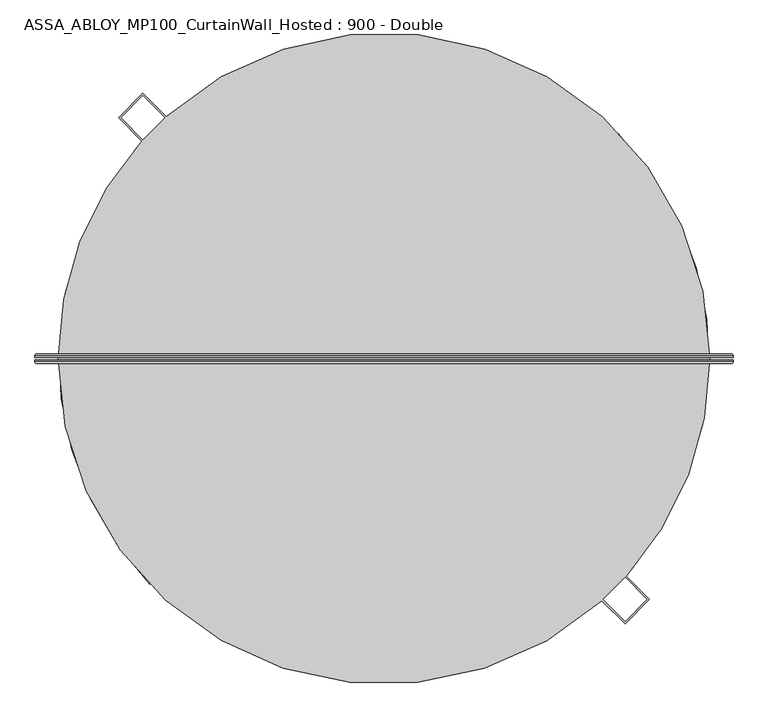
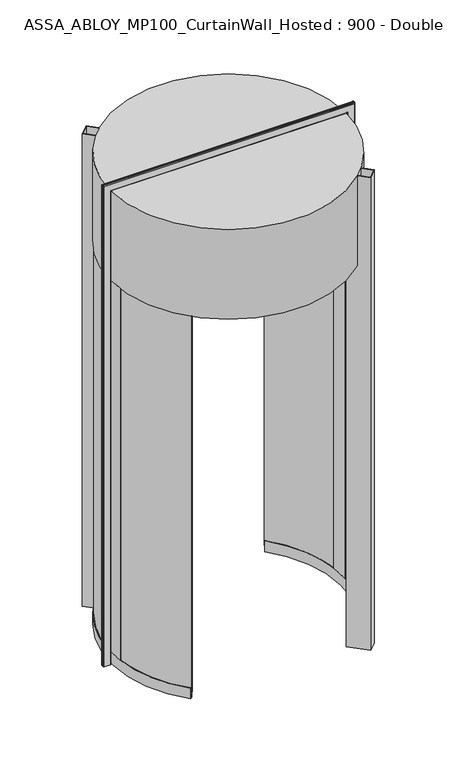
"""IFC4 building model written with IfcOpenShell, lengths in millimetres: plate geometry, ASSA_ABLOY_MP100_CurtainWall_Hosted : 900 - Double."""

from ifc_helpers import new_model, si_unit, point, frame, origin, origin_2d, place, context, project, spatial, polyline, circle_curve, ellipse_curve, trimmed, segment, composite_curve, outline, extrude, source, transform, mapped, element, save
from ifc_brep_helpers import plane_surface, cylinder_surface, revolved_surface, advanced_brep


def assa_abloy_mp100_curtainwall_hosted_900_double_50f6bb8c(model_context):
    return source(origin(), model_context, "Body", "SolidModel", [
        advanced_brep(
        [(805.0980762, 11.0, 0.0), (809.0980762, 7.0, 0.0), (809.0980762, 3.0, 0.0), (807.0980762, 3.0, 0.0), (807.0980762, 7.0, 0.0), (805.0980762, 9.0, 0.0), (763.0980762, 9.0, 0.0), (761.0980762, 7.0, 0.0), (761.0980762, 3.0, 0.0), (759.0980762, 3.0, 0.0), (759.0980762, 7.0, 0.0), (763.0980762, 11.0, 0.0), (805.0980762, 11.0, 3260.9980762), (809.0980762, 7.0, 3264.9980762), (809.0980762, 3.0, 3264.9980762), (759.0980762, 7.0, 3214.9980762), (763.0980762, 11.0, 3218.9980762), (-763.0980762, 11.0, 3218.9980762), (-763.0980762, 11.0, 0.0), (-805.0980762, 11.0, 0.0), (-805.0980762, 11.0, 3260.9980762), (-809.0980762, 7.0, 3264.9980762), (-809.0980762, 3.0, 3264.9980762), (-759.0980762, 7.0, 3214.9980762), (-759.0980762, 7.0, 0.0), (-759.0980762, 3.0, 0.0), (-761.0980762, 3.0, 0.0), (-761.0980762, 7.0, 0.0), (-763.0980762, 9.0, 0.0), (-805.0980762, 9.0, 0.0), (-807.0980762, 7.0, 0.0), (-807.0980762, 3.0, 0.0), (-809.0980762, 3.0, 0.0), (-809.0980762, 7.0, 0.0), (-807.0980762, 3.0, 3262.9980762), (807.0980762, 3.0, 3262.9980762), (807.0980762, 7.0, 3262.9980762), (805.0980762, 9.0, 3260.9980762), (-805.0980762, 9.0, 3260.9980762), (-763.0980762, 9.0, 3218.9980762), (763.0980762, 9.0, 3218.9980762), (761.0980762, 7.0, 3216.9980762), (761.0980762, 3.0, 3216.9980762), (-761.0980762, 3.0, 3216.9980762), (-759.0980762, 3.0, 3214.9980762), (759.0980762, 3.0, 3214.9980762), (-807.0980762, 7.0, 3262.9980762), (-761.0980762, 7.0, 3216.9980762)],
        [
            (0, 1, circle_curve(frame((805.0980762, 7.0, 0.0), z_axis=(0.0, 0.0, -1.0), x_axis=(-1.0, 0.0, 0.0)), 4.0)),
            (1, 2),
            (2, 3),
            (3, 4),
            (4, 5, circle_curve(frame((805.0980762, 7.0, 0.0), z_axis=(0.0, 0.0, 1.0), x_axis=(-1.0, 0.0, 0.0)), 2.0)),
            (5, 6),
            (6, 7, circle_curve(frame((763.0980762, 7.0, 0.0), z_axis=(0.0, 0.0, 1.0), x_axis=(-1.0, 0.0, 0.0)), 2.0)),
            (7, 8),
            (8, 9),
            (9, 10),
            (10, 11, circle_curve(frame((763.0980762, 7.0, 0.0), z_axis=(0.0, 0.0, -1.0), x_axis=(-1.0, 0.0, 0.0)), 4.0)),
            (11, 0),
            (0, 12),
            (12, 13, ellipse_curve(frame((805.0980762, 7.0, 3260.9980762), z_axis=(0.7071067811865475, 0.0, -0.7071067811865475), x_axis=(-0.7071067811865474, 0.0, -0.7071067811865476)), 5.6568542, 4.0)),
            (13, 1),
            (13, 14),
            (14, 2),
            (10, 15),
            (15, 16, ellipse_curve(frame((763.0980762, 7.0, 3218.9980762), z_axis=(0.7071067811865475, 0.0, -0.7071067811865475), x_axis=(-0.7071067811865474, 0.0, -0.7071067811865476)), 5.6568542, 4.0)),
            (16, 11),
            (16, 17),
            (17, 18),
            (18, 19),
            (19, 20),
            (20, 12),
            (20, 21, ellipse_curve(frame((-805.0980762, 7.0, 3260.9980762), z_axis=(0.7071067811865475, 0.0, 0.7071067811865475), x_axis=(0.7071067811865476, 0.0, -0.7071067811865474)), 5.6568542, 4.0)),
            (21, 13),
            (21, 22),
            (22, 14),
            (15, 23),
            (23, 17, ellipse_curve(frame((-763.0980762, 7.0, 3218.9980762), z_axis=(0.7071067811865475, 0.0, 0.7071067811865475), x_axis=(0.7071067811865476, 0.0, -0.7071067811865474)), 5.6568542, 4.0)),
            (18, 24, circle_curve(frame((-763.0980762, 7.0, 0.0), z_axis=(0.0, 0.0, -1.0), x_axis=(1.0, 0.0, 0.0)), 4.0)),
            (24, 25),
            (25, 26),
            (26, 27),
            (27, 28, circle_curve(frame((-763.0980762, 7.0, 0.0), z_axis=(0.0, 0.0, 1.0), x_axis=(1.0, 0.0, 0.0)), 2.0)),
            (28, 29),
            (29, 30, circle_curve(frame((-805.0980762, 7.0, 0.0), z_axis=(0.0, 0.0, 1.0), x_axis=(1.0, 0.0, 0.0)), 2.0)),
            (30, 31),
            (31, 32),
            (32, 33),
            (33, 19, circle_curve(frame((-805.0980762, 7.0, 0.0), z_axis=(0.0, 0.0, -1.0), x_axis=(1.0, 0.0, 0.0)), 4.0)),
            (33, 21),
            (32, 22),
            (23, 24),
            (31, 34),
            (34, 35),
            (35, 3),
            (35, 36),
            (36, 4),
            (36, 37, ellipse_curve(frame((805.0980762, 7.0, 3260.9980762), z_axis=(-0.7071067811865475, 0.0, 0.7071067811865475), x_axis=(0.7071067811865474, 0.0, 0.7071067811865476)), 2.8284271, 2.0)),
            (37, 5),
            (37, 38),
            (38, 29),
            (28, 39),
            (39, 40),
            (40, 6),
            (40, 41, ellipse_curve(frame((763.0980762, 7.0, 3218.9980762), z_axis=(-0.7071067811865475, 0.0, 0.7071067811865475), x_axis=(0.7071067811865474, 0.0, 0.7071067811865476)), 2.8284271, 2.0)),
            (41, 7),
            (41, 42),
            (42, 8),
            (42, 43),
            (43, 26),
            (25, 44),
            (44, 45),
            (45, 9),
            (45, 15),
            (34, 46),
            (46, 36),
            (46, 38, ellipse_curve(frame((-805.0980762, 7.0, 3260.9980762), z_axis=(-0.7071067811865475, 0.0, -0.7071067811865475), x_axis=(-0.7071067811865476, 0.0, 0.7071067811865474)), 2.8284271, 2.0)),
            (39, 47, ellipse_curve(frame((-763.0980762, 7.0, 3218.9980762), z_axis=(-0.7071067811865475, 0.0, -0.7071067811865475), x_axis=(-0.7071067811865476, 0.0, 0.7071067811865474)), 2.8284271, 2.0)),
            (47, 41),
            (47, 43),
            (44, 23),
            (30, 46),
            (27, 47),
        ],
        [
            plane_surface(frame((759.1, 0.0, 0.0), z_axis=(0.0, 0.0, -1.0), x_axis=(0.0, -1.0, 0.0))),
            cylinder_surface(frame((805.0980762, 7.0, 0.0), z_axis=(0.0, 0.0, -1.0), x_axis=(-1.0, 0.0, 0.0)), 4.0),
            plane_surface(frame((809.0980762, 7.0, 0.0), z_axis=(1.0, 0.0, 0.0), x_axis=(0.0, 0.0, 1.0))),
            cylinder_surface(frame((763.0980762, 7.0, 0.0), z_axis=(0.0, 0.0, -1.0), x_axis=(-1.0, 0.0, 0.0)), 4.0),
            plane_surface(frame((763.0980762, 11.0, 0.0), z_axis=(0.0, 1.0, 0.0), x_axis=(0.0, 0.0, 1.0))),
            cylinder_surface(frame((759.1, 7.0, 3260.9980762), z_axis=(1.0, 0.0, 0.0), x_axis=(0.0, 0.0, -1.0)), 4.0),
            plane_surface(frame((809.0980762, 7.0, 3264.9980762), z_axis=(0.0, 0.0, 1.0), x_axis=(-1.0, 0.0, 0.0))),
            cylinder_surface(frame((759.1, 7.0, 3218.9980762), z_axis=(1.0, 0.0, 0.0), x_axis=(0.0, 0.0, -1.0)), 4.0),
            plane_surface(frame((-759.1, 0.0, 0.0), z_axis=(0.0, 0.0, -1.0), x_axis=(0.0, -1.0, 0.0))),
            cylinder_surface(frame((-805.0980762, 7.0, 3215.0), z_axis=(0.0, 0.0, 1.0), x_axis=(1.0, 0.0, 0.0)), 4.0),
            plane_surface(frame((-809.0980762, 7.0, 3264.9980762), z_axis=(-1.0, 0.0, 0.0), x_axis=(0.0, 0.0, -1.0))),
            cylinder_surface(frame((-763.0980762, 7.0, 3215.0), z_axis=(0.0, 0.0, 1.0), x_axis=(1.0, 0.0, 0.0)), 4.0),
            plane_surface(frame((809.0980762, 3.0, 0.0), z_axis=(0.0, -1.0, 0.0), x_axis=(0.0, 0.0, 1.0))),
            plane_surface(frame((807.0980762, 3.0, 0.0), z_axis=(-1.0, 0.0, 0.0), x_axis=(0.0, 0.0, 1.0))),
            revolved_surface(polyline([(803.0980762, 7.0, 3262.9980762), (803.0980762, 7.0, 0.0)]), (805.0980762, 7.0, 0.0), (0.0, 0.0, 1.0)),
            plane_surface(frame((805.0980762, 9.0, 0.0), z_axis=(0.0, -1.0, 0.0), x_axis=(0.0, 0.0, 1.0))),
            revolved_surface(polyline([(761.0980762, 7.0, 3220.998076182502), (761.0980762, 7.0, 0.0)]), (763.0980762, 7.0, 0.0), (0.0, 0.0, 1.0)),
            plane_surface(frame((761.0980762, 7.0, 0.0), z_axis=(1.0, 0.0, 0.0), x_axis=(0.0, 0.0, 1.0))),
            plane_surface(frame((761.0980762, 3.0, 0.0), z_axis=(0.0, -1.0, 0.0), x_axis=(0.0, 0.0, 1.0))),
            plane_surface(frame((759.0980762, 3.0, 0.0), z_axis=(-1.0, 0.0, 0.0), x_axis=(0.0, 0.0, 1.0))),
            plane_surface(frame((807.0980762, 3.0, 3262.9980762), z_axis=(0.0, 0.0, -1.0), x_axis=(-1.0, 0.0, 0.0))),
            revolved_surface(polyline([(-807.0980762, 7.0, 3258.9980762), (807.0980762, 7.0, 3258.9980762)]), (759.1, 7.0, 3260.9980762), (-1.0, 0.0, 0.0)),
            revolved_surface(polyline([(-765.0980761825018, 7.0, 3216.9980762), (765.0980761825018, 7.0, 3216.9980762)]), (759.1, 7.0, 3218.9980762), (-1.0, 0.0, 0.0)),
            plane_surface(frame((761.0980762, 7.0, 3216.9980762), z_axis=(0.0, 0.0, 1.0), x_axis=(-1.0, 0.0, 0.0))),
            plane_surface(frame((759.0980762, 3.0, 3214.9980762), z_axis=(0.0, 0.0, -1.0), x_axis=(-1.0, 0.0, 0.0))),
            plane_surface(frame((-807.0980762, 3.0, 3262.9980762), z_axis=(1.0, 0.0, 0.0), x_axis=(0.0, 0.0, -1.0))),
            revolved_surface(polyline([(-803.0980762, 7.0, 0.0), (-803.0980762, 7.0, 3262.9980762)]), (-805.0980762, 7.0, 3215.0), (0.0, 0.0, -1.0)),
            revolved_surface(polyline([(-761.0980762, 7.0, 0.0), (-761.0980762, 7.0, 3220.998076182502)]), (-763.0980762, 7.0, 3215.0), (0.0, 0.0, -1.0)),
            plane_surface(frame((-761.0980762, 7.0, 3216.9980762), z_axis=(-1.0, 0.0, 0.0), x_axis=(0.0, 0.0, -1.0))),
            plane_surface(frame((-759.0980762, 3.0, 3214.9980762), z_axis=(1.0, 0.0, 0.0), x_axis=(0.0, 0.0, -1.0))),
        ],
        [
            (0, [[1, 2, 3, 4, 5, 6, 7, 8, 9, 10, 11, 12]]),
            (1, [[-1, 13, 14, 15]]),
            (2, [[-2, -15, 16, 17]]),
            (3, [[-11, 18, 19, 20]]),
            (4, [[-12, -20, 21, 22, 23, 24, 25, -13]]),
            (5, [[-14, -25, 26, 27]]),
            (6, [[-16, -27, 28, 29]]),
            (7, [[-19, 30, 31, -21]]),
            (8, [[-23, 32, 33, 34, 35, 36, 37, 38, 39, 40, 41, 42]]),
            (9, [[-26, -24, -42, 43]]),
            (10, [[-28, -43, -41, 44]]),
            (11, [[-31, 45, -32, -22]]),
            (12, [[-3, -17, -29, -44, -40, 46, 47, 48]]),
            (13, [[-4, -48, 49, 50]]),
            (14, [[-5, -50, 51, 52]]),
            (15, [[-6, -52, 53, 54, -37, 55, 56, 57]]),
            (16, [[-7, -57, 58, 59]]),
            (17, [[-8, -59, 60, 61]]),
            (18, [[-9, -61, 62, 63, -34, 64, 65, 66]]),
            (19, [[-10, -66, 67, -18]]),
            (20, [[-49, -47, 68, 69]]),
            (21, [[-51, -69, 70, -53]]),
            (22, [[-58, -56, 71, 72]]),
            (23, [[-60, -72, 73, -62]]),
            (24, [[-67, -65, 74, -30]]),
            (25, [[-68, -46, -39, 75]]),
            (26, [[-70, -75, -38, -54]]),
            (27, [[-71, -55, -36, 76]]),
            (28, [[-73, -76, -35, -63]]),
            (29, [[-74, -64, -33, -45]]),
        ],
    ),
        advanced_brep(
        [(759.0980762, -3.0, 0.0), (761.0980762, -3.0, 0.0), (761.0980762, -7.0, 0.0), (763.0980762, -9.0, 0.0), (805.0980762, -9.0, 0.0), (807.0980762, -7.0, 0.0), (807.0980762, -3.0, 0.0), (809.0980762, -3.0, 0.0), (809.0980762, -7.0, 0.0), (805.0980762, -11.0, 0.0), (763.0980762, -11.0, 0.0), (759.0980762, -7.0, 0.0), (809.0980762, -7.0, 3264.9980762), (805.0980762, -11.0, 3260.9980762), (-805.0980762, -11.0, 3260.9980762), (-805.0980762, -11.0, 0.0), (-763.0980762, -11.0, 0.0), (-763.0980762, -11.0, 3218.9980762), (763.0980762, -11.0, 3218.9980762), (759.0980762, -7.0, 3214.9980762), (759.0980762, -3.0, 3214.9980762), (-809.0980762, -7.0, 3264.9980762), (-759.0980762, -7.0, 3214.9980762), (-759.0980762, -3.0, 3214.9980762), (-759.0980762, -3.0, 0.0), (-759.0980762, -7.0, 0.0), (-809.0980762, -7.0, 0.0), (-809.0980762, -3.0, 0.0), (-807.0980762, -3.0, 0.0), (-807.0980762, -7.0, 0.0), (-805.0980762, -9.0, 0.0), (-763.0980762, -9.0, 0.0), (-761.0980762, -7.0, 0.0), (-761.0980762, -3.0, 0.0), (-761.0980762, -3.0, 3216.9980762), (761.0980762, -3.0, 3216.9980762), (761.0980762, -7.0, 3216.9980762), (763.0980762, -9.0, 3218.9980762), (-763.0980762, -9.0, 3218.9980762), (-805.0980762, -9.0, 3260.9980762), (805.0980762, -9.0, 3260.9980762), (807.0980762, -7.0, 3262.9980762), (807.0980762, -3.0, 3262.9980762), (-807.0980762, -3.0, 3262.9980762), (-809.0980762, -3.0, 3264.9980762), (809.0980762, -3.0, 3264.9980762), (-761.0980762, -7.0, 3216.9980762), (-807.0980762, -7.0, 3262.9980762)],
        [
            (0, 1),
            (1, 2),
            (2, 3, circle_curve(frame((763.0980762, -7.0, 0.0), z_axis=(0.0, 0.0, 1.0), x_axis=(-1.0, 0.0, 0.0)), 2.0)),
            (3, 4),
            (4, 5, circle_curve(frame((805.0980762, -7.0, 0.0), z_axis=(0.0, 0.0, 1.0), x_axis=(-1.0, 0.0, 0.0)), 2.0)),
            (5, 6),
            (6, 7),
            (7, 8),
            (8, 9, circle_curve(frame((805.0980762, -7.0, 0.0), z_axis=(0.0, 0.0, -1.0), x_axis=(-1.0, 0.0, 0.0)), 4.0)),
            (9, 10),
            (10, 11, circle_curve(frame((763.0980762, -7.0, 0.0), z_axis=(0.0, 0.0, -1.0), x_axis=(-1.0, 0.0, 0.0)), 4.0)),
            (11, 0),
            (8, 12),
            (12, 13, ellipse_curve(frame((805.0980762, -7.0, 3260.9980762), z_axis=(0.7071067811865475, 0.0, -0.7071067811865475), x_axis=(-0.7071067811865474, 0.0, -0.7071067811865476)), 5.6568542, 4.0)),
            (13, 9),
            (13, 14),
            (14, 15),
            (15, 16),
            (16, 17),
            (17, 18),
            (18, 10),
            (18, 19, ellipse_curve(frame((763.0980762, -7.0, 3218.9980762), z_axis=(0.7071067811865475, 0.0, -0.7071067811865475), x_axis=(-0.7071067811865474, 0.0, -0.7071067811865476)), 5.6568542, 4.0)),
            (19, 11),
            (19, 20),
            (20, 0),
            (12, 21),
            (21, 14, ellipse_curve(frame((-805.0980762, -7.0, 3260.9980762), z_axis=(0.7071067811865475, 0.0, 0.7071067811865475), x_axis=(0.7071067811865476, 0.0, -0.7071067811865474)), 5.6568542, 4.0)),
            (17, 22, ellipse_curve(frame((-763.0980762, -7.0, 3218.9980762), z_axis=(0.7071067811865475, 0.0, 0.7071067811865475), x_axis=(0.7071067811865476, 0.0, -0.7071067811865474)), 5.6568542, 4.0)),
            (22, 19),
            (22, 23),
            (23, 20),
            (24, 25),
            (25, 16, circle_curve(frame((-763.0980762, -7.0, 0.0), z_axis=(0.0, 0.0, -1.0), x_axis=(1.0, 0.0, 0.0)), 4.0)),
            (15, 26, circle_curve(frame((-805.0980762, -7.0, 0.0), z_axis=(0.0, 0.0, -1.0), x_axis=(1.0, 0.0, 0.0)), 4.0)),
            (26, 27),
            (27, 28),
            (28, 29),
            (29, 30, circle_curve(frame((-805.0980762, -7.0, 0.0), z_axis=(0.0, 0.0, 1.0), x_axis=(1.0, 0.0, 0.0)), 2.0)),
            (30, 31),
            (31, 32, circle_curve(frame((-763.0980762, -7.0, 0.0), z_axis=(0.0, 0.0, 1.0), x_axis=(1.0, 0.0, 0.0)), 2.0)),
            (32, 33),
            (33, 24),
            (21, 26),
            (25, 22),
            (24, 23),
            (33, 34),
            (34, 35),
            (35, 1),
            (35, 36),
            (36, 2),
            (36, 37, ellipse_curve(frame((763.0980762, -7.0, 3218.9980762), z_axis=(-0.7071067811865475, 0.0, 0.7071067811865475), x_axis=(0.7071067811865474, 0.0, 0.7071067811865476)), 2.8284271, 2.0)),
            (37, 3),
            (37, 38),
            (38, 31),
            (30, 39),
            (39, 40),
            (40, 4),
            (40, 41, ellipse_curve(frame((805.0980762, -7.0, 3260.9980762), z_axis=(-0.7071067811865475, 0.0, 0.7071067811865475), x_axis=(0.7071067811865474, 0.0, 0.7071067811865476)), 2.8284271, 2.0)),
            (41, 5),
            (41, 42),
            (42, 6),
            (42, 43),
            (43, 28),
            (27, 44),
            (44, 45),
            (45, 7),
            (45, 12),
            (34, 46),
            (46, 36),
            (46, 38, ellipse_curve(frame((-763.0980762, -7.0, 3218.9980762), z_axis=(-0.7071067811865475, 0.0, -0.7071067811865475), x_axis=(-0.7071067811865476, 0.0, 0.7071067811865474)), 2.8284271, 2.0)),
            (39, 47, ellipse_curve(frame((-805.0980762, -7.0, 3260.9980762), z_axis=(-0.7071067811865475, 0.0, -0.7071067811865475), x_axis=(-0.7071067811865476, 0.0, 0.7071067811865474)), 2.8284271, 2.0)),
            (47, 41),
            (47, 43),
            (44, 21),
            (32, 46),
            (29, 47),
        ],
        [
            plane_surface(frame((759.1, 0.0, 0.0), z_axis=(0.0, 0.0, -1.0), x_axis=(0.0, -1.0, 0.0))),
            cylinder_surface(frame((805.0980762, -7.0, 0.0), z_axis=(0.0, 0.0, -1.0), x_axis=(-1.0, 0.0, 0.0)), 4.0),
            plane_surface(frame((805.0980762, -11.0, 0.0), z_axis=(0.0, -1.0, 0.0), x_axis=(0.0, 0.0, 1.0))),
            cylinder_surface(frame((763.0980762, -7.0, 0.0), z_axis=(0.0, 0.0, -1.0), x_axis=(-1.0, 0.0, 0.0)), 4.0),
            plane_surface(frame((759.0980762, -7.0, 0.0), z_axis=(-1.0, 0.0, 0.0), x_axis=(0.0, 0.0, 1.0))),
            cylinder_surface(frame((759.1, -7.0, 3260.9980762), z_axis=(1.0, 0.0, 0.0), x_axis=(0.0, 0.0, -1.0)), 4.0),
            cylinder_surface(frame((759.1, -7.0, 3218.9980762), z_axis=(1.0, 0.0, 0.0), x_axis=(0.0, 0.0, -1.0)), 4.0),
            plane_surface(frame((759.0980762, -7.0, 3214.9980762), z_axis=(0.0, 0.0, -1.0), x_axis=(-1.0, 0.0, 0.0))),
            plane_surface(frame((-759.1, 0.0, 0.0), z_axis=(0.0, 0.0, -1.0), x_axis=(0.0, -1.0, 0.0))),
            cylinder_surface(frame((-805.0980762, -7.0, 3215.0), z_axis=(0.0, 0.0, 1.0), x_axis=(1.0, 0.0, 0.0)), 4.0),
            cylinder_surface(frame((-763.0980762, -7.0, 3215.0), z_axis=(0.0, 0.0, 1.0), x_axis=(1.0, 0.0, 0.0)), 4.0),
            plane_surface(frame((-759.0980762, -7.0, 3214.9980762), z_axis=(1.0, 0.0, 0.0), x_axis=(0.0, 0.0, -1.0))),
            plane_surface(frame((759.0980762, -3.0, 0.0), z_axis=(0.0, 1.0, 0.0), x_axis=(0.0, 0.0, 1.0))),
            plane_surface(frame((761.0980762, -3.0, 0.0), z_axis=(1.0, 0.0, 0.0), x_axis=(0.0, 0.0, 1.0))),
            revolved_surface(polyline([(761.0980762, -7.0, 3220.998076182502), (761.0980762, -7.0, 0.0)]), (763.0980762, -7.0, 0.0), (0.0, 0.0, 1.0)),
            plane_surface(frame((763.0980762, -9.0, 0.0), z_axis=(0.0, 1.0, 0.0), x_axis=(0.0, 0.0, 1.0))),
            revolved_surface(polyline([(803.0980762, -7.0, 3262.9980762), (803.0980762, -7.0, 0.0)]), (805.0980762, -7.0, 0.0), (0.0, 0.0, 1.0)),
            plane_surface(frame((807.0980762, -7.0, 0.0), z_axis=(-1.0, 0.0, 0.0), x_axis=(0.0, 0.0, 1.0))),
            plane_surface(frame((807.0980762, -3.0, 0.0), z_axis=(0.0, 1.0, 0.0), x_axis=(0.0, 0.0, 1.0))),
            plane_surface(frame((809.0980762, -3.0, 0.0), z_axis=(1.0, 0.0, 0.0), x_axis=(0.0, 0.0, 1.0))),
            plane_surface(frame((761.0980762, -3.0, 3216.9980762), z_axis=(0.0, 0.0, 1.0), x_axis=(-1.0, 0.0, 0.0))),
            revolved_surface(polyline([(-765.0980761825018, -7.0, 3216.9980762), (765.0980761825018, -7.0, 3216.9980762)]), (759.1, -7.0, 3218.9980762), (-1.0, 0.0, 0.0)),
            revolved_surface(polyline([(-807.0980762, -7.0, 3258.9980762), (807.0980762, -7.0, 3258.9980762)]), (759.1, -7.0, 3260.9980762), (-1.0, 0.0, 0.0)),
            plane_surface(frame((807.0980762, -7.0, 3262.9980762), z_axis=(0.0, 0.0, -1.0), x_axis=(-1.0, 0.0, 0.0))),
            plane_surface(frame((809.0980762, -3.0, 3264.9980762), z_axis=(0.0, 0.0, 1.0), x_axis=(-1.0, 0.0, 0.0))),
            plane_surface(frame((-761.0980762, -3.0, 3216.9980762), z_axis=(-1.0, 0.0, 0.0), x_axis=(0.0, 0.0, -1.0))),
            revolved_surface(polyline([(-761.0980762, -7.0, 0.0), (-761.0980762, -7.0, 3220.998076182502)]), (-763.0980762, -7.0, 3215.0), (0.0, 0.0, -1.0)),
            revolved_surface(polyline([(-803.0980762, -7.0, 0.0), (-803.0980762, -7.0, 3262.9980762)]), (-805.0980762, -7.0, 3215.0), (0.0, 0.0, -1.0)),
            plane_surface(frame((-807.0980762, -7.0, 3262.9980762), z_axis=(1.0, 0.0, 0.0), x_axis=(0.0, 0.0, -1.0))),
            plane_surface(frame((-809.0980762, -3.0, 3264.9980762), z_axis=(-1.0, 0.0, 0.0), x_axis=(0.0, 0.0, -1.0))),
        ],
        [
            (0, [[1, 2, 3, 4, 5, 6, 7, 8, 9, 10, 11, 12]]),
            (1, [[-9, 13, 14, 15]]),
            (2, [[-10, -15, 16, 17, 18, 19, 20, 21]]),
            (3, [[-11, -21, 22, 23]]),
            (4, [[-12, -23, 24, 25]]),
            (5, [[-14, 26, 27, -16]]),
            (6, [[-22, -20, 28, 29]]),
            (7, [[-24, -29, 30, 31]]),
            (8, [[32, 33, -18, 34, 35, 36, 37, 38, 39, 40, 41, 42]]),
            (9, [[-27, 43, -34, -17]]),
            (10, [[-28, -19, -33, 44]]),
            (11, [[-30, -44, -32, 45]]),
            (12, [[-1, -25, -31, -45, -42, 46, 47, 48]]),
            (13, [[-2, -48, 49, 50]]),
            (14, [[-3, -50, 51, 52]]),
            (15, [[-4, -52, 53, 54, -39, 55, 56, 57]]),
            (16, [[-5, -57, 58, 59]]),
            (17, [[-6, -59, 60, 61]]),
            (18, [[-7, -61, 62, 63, -36, 64, 65, 66]]),
            (19, [[-8, -66, 67, -13]]),
            (20, [[-49, -47, 68, 69]]),
            (21, [[-51, -69, 70, -53]]),
            (22, [[-58, -56, 71, 72]]),
            (23, [[-60, -72, 73, -62]]),
            (24, [[-67, -65, 74, -26]]),
            (25, [[-68, -46, -41, 75]]),
            (26, [[-70, -75, -40, -54]]),
            (27, [[-71, -55, -38, 76]]),
            (28, [[-73, -76, -37, -63]]),
            (29, [[-74, -64, -35, -43]]),
        ],
    ),
        advanced_brep(
        [(-528.3315152, -508.8825135, 73.0), (-530.492233, -510.9636907, 73.0), (-530.492233, -510.9636907, 39.0), (-540.5755828, -520.675851, 39.0), (-540.5755828, -520.675851, 73.0), (-542.7363006, -522.7570282, 73.0), (-542.7363006, -522.7570282, 0.0), (-540.5755828, -520.675851, 0.0), (-540.5755828, -520.675851, 24.0), (-530.492233, -510.9636907, 24.0), (-530.492233, -510.9636907, 0.0), (-528.3315152, -508.8825135, 0.0), (-557.6233523, 476.6044476, 73.0), (-557.6233523, 476.6044476, 0.0), (-559.9038649, 478.5536172, 0.0), (-559.9038649, 478.5536172, 24.0), (-570.5462573, 487.6497419, 24.0), (-570.5462573, 487.6497419, 0.0), (-572.82677, 489.5989115, 0.0), (-572.82677, 489.5989115, 73.0), (-570.5462573, 487.6497419, 73.0), (-570.5462573, 487.6497419, 39.0), (-559.9038649, 478.5536172, 39.0), (-559.9038649, 478.5536172, 73.0), (-728.0898904, -89.3348417, 73.0), (-731.0675602, -89.7001945, 73.0), (-736.1352483, 24.7143418, 73.0), (-733.1369376, 24.6136792, 73.0), (-750.1273661, 25.1840637, 73.0), (-744.963357, -91.4051375, 73.0), (-747.9410268, -91.7704902, 73.0), (-753.1256768, 25.2847262, 73.0), (-753.1256768, 25.2847262, 2600.0), (-747.9410268, -91.7704902, 2600.0), (-744.963357, -91.4051375, 2600.0), (-750.1273661, 25.1840637, 2600.0), (-733.1369376, 24.6136792, 2600.0), (-736.1352483, 24.7143418, 2600.0), (-731.0675602, -89.7001945, 2600.0), (-728.0898904, -89.3348417, 2600.0)],
        [
            (0, 1),
            (1, 2),
            (2, 3),
            (3, 4),
            (4, 5),
            (5, 6),
            (6, 7),
            (7, 8),
            (8, 9),
            (9, 10),
            (10, 11),
            (11, 0),
            (12, 13),
            (13, 14),
            (14, 15),
            (15, 16),
            (16, 17),
            (17, 18),
            (18, 19),
            (19, 20),
            (20, 21),
            (21, 22),
            (22, 23),
            (23, 12),
            (0, 24, circle_curve(frame((0.0, 0.0, 73.0), z_axis=(0.0, 0.0, -1.0), x_axis=(-0.7202392682397201, -0.6937257357814488, 0.0)), 733.55)),
            (24, 25),
            (25, 1, circle_curve(frame((0.0, 0.0, 73.0), z_axis=(0.0, 0.0, 1.0), x_axis=(-0.7202392682397201, -0.6937257357814488, 0.0)), 736.55)),
            (23, 26, circle_curve(frame((0.0, 0.0, 73.0), z_axis=(0.0, 0.0, 1.0), x_axis=(-0.7202392682397201, -0.6937257357814488, 0.0)), 736.55)),
            (26, 27),
            (27, 12, circle_curve(frame((0.0, 0.0, 73.0), z_axis=(0.0, 0.0, -1.0), x_axis=(-0.7202392682397201, -0.6937257357814488, 0.0)), 733.55)),
            (25, 26, circle_curve(frame((0.0, 0.0, 73.0), z_axis=(0.0, 0.0, -1.0), x_axis=(-0.7202392682397201, -0.6937257357814488, 0.0)), 736.55)),
            (22, 2, circle_curve(frame((0.0, 0.0, 39.0), z_axis=(0.0, 0.0, 1.0), x_axis=(-0.7202392682397201, -0.6937257357814488, 0.0)), 736.55)),
            (21, 3, circle_curve(frame((0.0, 0.0, 39.0), z_axis=(0.0, 0.0, 1.0), x_axis=(-0.7202392682397201, -0.6937257357814488, 0.0)), 750.55)),
            (20, 28, circle_curve(frame((0.0, 0.0, 73.0), z_axis=(0.0, 0.0, 1.0), x_axis=(-0.7202392682397201, -0.6937257357814488, 0.0)), 750.55)),
            (28, 29, circle_curve(frame((0.0, 0.0, 73.0), z_axis=(0.0, 0.0, 1.0), x_axis=(-0.7202392682397201, -0.6937257357814488, 0.0)), 750.55)),
            (29, 4, circle_curve(frame((0.0, 0.0, 73.0), z_axis=(0.0, 0.0, 1.0), x_axis=(-0.7202392682397201, -0.6937257357814488, 0.0)), 750.55)),
            (29, 30),
            (30, 5, circle_curve(frame((0.0, 0.0, 73.0), z_axis=(0.0, 0.0, 1.0), x_axis=(-0.7202392682397201, -0.6937257357814488, 0.0)), 753.55)),
            (19, 31, circle_curve(frame((0.0, 0.0, 73.0), z_axis=(0.0, 0.0, 1.0), x_axis=(-0.7202392682397201, -0.6937257357814488, 0.0)), 753.55)),
            (31, 28),
            (30, 31, circle_curve(frame((0.0, 0.0, 73.0), z_axis=(0.0, 0.0, -1.0), x_axis=(-0.7202392682397201, -0.6937257357814488, 0.0)), 753.55)),
            (18, 6, circle_curve(frame((0.0, 0.0, 0.0), z_axis=(0.0, 0.0, 1.0), x_axis=(-0.7202392682397201, -0.6937257357814488, 0.0)), 753.55)),
            (17, 7, circle_curve(frame((0.0, 0.0, 0.0), z_axis=(0.0, 0.0, 1.0), x_axis=(-0.7202392682397201, -0.6937257357814488, 0.0)), 750.55)),
            (16, 8, circle_curve(frame((0.0, 0.0, 24.0), z_axis=(0.0, 0.0, 1.0), x_axis=(-0.7202392682397201, -0.6937257357814488, 0.0)), 750.55)),
            (15, 9, circle_curve(frame((0.0, 0.0, 24.0), z_axis=(0.0, 0.0, 1.0), x_axis=(-0.7202392682397201, -0.6937257357814488, 0.0)), 736.55)),
            (14, 10, circle_curve(frame((0.0, 0.0, 0.0), z_axis=(0.0, 0.0, 1.0), x_axis=(-0.7202392682397201, -0.6937257357814488, 0.0)), 736.55)),
            (13, 11, circle_curve(frame((0.0, 0.0, 0.0), z_axis=(0.0, 0.0, 1.0), x_axis=(-0.7202392682397201, -0.6937257357814488, 0.0)), 733.55)),
            (27, 24, circle_curve(frame((0.0, 0.0, 73.0), z_axis=(0.0, 0.0, 1.0), x_axis=(-0.7202392682397201, -0.6937257357814488, 0.0)), 733.55)),
            (32, 33, circle_curve(frame((0.0, 0.0, 2600.0), z_axis=(0.0, 0.0, 1.0), x_axis=(0.7071067811865459, -0.7071067811865491, 0.0)), 753.55)),
            (33, 34),
            (34, 35, circle_curve(frame((0.0, 0.0, 2600.0), z_axis=(0.0, 0.0, -1.0), x_axis=(0.7071067811865459, -0.7071067811865491, 0.0)), 750.55)),
            (35, 32),
            (32, 31),
            (30, 33),
            (29, 34),
            (28, 35),
            (36, 37),
            (37, 38, circle_curve(frame((0.0, 0.0, 2600.0), z_axis=(0.0, 0.0, 1.0), x_axis=(0.7071067811865459, -0.7071067811865492, 0.0)), 736.55)),
            (38, 39),
            (39, 36, circle_curve(frame((0.0, 0.0, 2600.0), z_axis=(0.0, 0.0, -1.0), x_axis=(0.7071067811865459, -0.7071067811865492, 0.0)), 733.55)),
            (36, 27),
            (26, 37),
            (25, 38),
            (24, 39),
        ],
        [
            plane_surface(frame((-535.5339079, -515.8197708, 0.0), z_axis=(0.6937257357814489, -0.7202392682397202, 0.0), x_axis=(0.0, 0.0, 1.0))),
            plane_surface(frame((-565.2250611, 483.1016796, 0.0), z_axis=(0.6497231921869124, 0.7601708844295791, 0.0), x_axis=(0.0, 0.0, 1.0))),
            plane_surface(frame((0.0, 0.0, 73.0), z_axis=(0.0, 0.0, 1.0), x_axis=(-0.7202392682397201, -0.6937257357814488, 0.0))),
            cylinder_surface(frame((0.0, 0.0, 0.0), z_axis=(0.0, 0.0, -1.0), x_axis=(-0.7202392682397201, -0.6937257357814488, 0.0)), 736.55),
            plane_surface(frame((0.0, 0.0, 39.0), z_axis=(0.0, 0.0, 1.0), x_axis=(-0.7202392682397201, -0.6937257357814488, 0.0))),
            revolved_surface(polyline([(-540.5755827773219, -520.6758509907663, 39.0), (-540.5755827773219, -520.6758509907663, 73.0)]), (0.0, 0.0, 0.0), (0.0, 0.0, -1.0)),
            cylinder_surface(frame((0.0, 0.0, 0.0), z_axis=(0.0, 0.0, -1.0), x_axis=(-0.7202392682397201, -0.6937257357814488, 0.0)), 753.55),
            plane_surface(frame((0.0, 0.0, 0.0), z_axis=(0.0, 0.0, -1.0), x_axis=(-0.7202392682397201, -0.6937257357814488, 0.0))),
            revolved_surface(polyline([(-540.5755827773219, -520.6758509907663, 0.0), (-540.5755827773219, -520.6758509907663, 24.0)]), (0.0, 0.0, 0.0), (0.0, 0.0, -1.0)),
            plane_surface(frame((0.0, 0.0, 24.0), z_axis=(0.0, 0.0, -1.0), x_axis=(-0.7202392682397201, -0.6937257357814488, 0.0))),
            revolved_surface(polyline([(-528.3315152172466, -508.8825134824817, 0.0), (-528.3315152172466, -508.8825134824817, 73.0)]), (0.0, 0.0, 0.0), (0.0, 0.0, -1.0)),
            plane_surface(frame((532.840315, -532.840315, 2600.0), z_axis=(0.0, 0.0, 1.0), x_axis=(0.7071067811865491, 0.7071067811865459, 0.0))),
            cylinder_surface(frame((0.0, 0.0, 73.0), z_axis=(0.0, 0.0, 1.0), x_axis=(0.7071067811865459, -0.7071067811865491, 0.0)), 753.55),
            plane_surface(frame((-747.9410268, -91.7704902, 2600.0), z_axis=(0.12178423189119314, -0.992556598317029, 0.0), x_axis=(0.0, 0.0, -1.0))),
            revolved_surface(polyline([(530.718994619562, -530.7189946195645, 73.0), (530.718994619562, -530.7189946195645, 2600.0)]), (0.0, 0.0, 73.0), (0.0, 0.0, -1.0)),
            plane_surface(frame((-750.1273661, 25.1840637, 2600.0), z_axis=(0.033554168940504565, 0.9994369003327385, 0.0), x_axis=(0.0, 0.0, -1.0))),
            plane_surface(frame((-733.1369376, 24.6136792, 2600.0), z_axis=(0.0, 0.0, 1.0000000000000002), x_axis=(-0.9994368993523267, 0.03355419814281517, 0.0))),
            plane_surface(frame((-733.1369376, 24.6136792, 2600.0), z_axis=(0.03355419814281517, 0.9994368993523267, 0.0), x_axis=(0.0, 0.0, -1.0))),
            cylinder_surface(frame((0.0, 0.0, 73.0), z_axis=(0.0, 0.0, 1.0000000000000002), x_axis=(0.7071067811865459, -0.7071067811865492, 0.0)), 736.55),
            plane_surface(frame((-731.0675602, -89.7001945, 2600.0), z_axis=(0.12178426079545666, -0.9925565947705473, 0.0), x_axis=(0.0, 0.0, -1.0))),
            revolved_surface(polyline([(518.6981793393907, -518.6981793393932, 73.0), (518.6981793393907, -518.6981793393932, 2600.000000000001)]), (0.0, 0.0, 73.0), (0.0, 0.0, -1.0000000000000002)),
        ],
        [
            (0, [[1, 2, 3, 4, 5, 6, 7, 8, 9, 10, 11, 12]]),
            (1, [[13, 14, 15, 16, 17, 18, 19, 20, 21, 22, 23, 24]]),
            (2, [[-1, 25, 26, 27]]),
            (2, [[-24, 28, 29, 30]]),
            (3, [[-2, -27, 31, -28, -23, 32]]),
            (4, [[-3, -32, -22, 33]]),
            (5, [[-4, -33, -21, 34, 35, 36]]),
            (2, [[-5, -36, 37, 38]]),
            (2, [[-20, 39, 40, -34]]),
            (6, [[-6, -38, 41, -39, -19, 42]]),
            (7, [[-7, -42, -18, 43]]),
            (8, [[-8, -43, -17, 44]]),
            (9, [[-9, -44, -16, 45]]),
            (3, [[-10, -45, -15, 46]]),
            (7, [[-11, -46, -14, 47]]),
            (10, [[-12, -47, -13, -30, 48, -25]]),
            (11, [[49, 50, 51, 52]]),
            (12, [[-49, 53, -41, 54]]),
            (13, [[-50, -54, -37, 55]]),
            (14, [[-51, -55, -35, 56]]),
            (15, [[-52, -56, -40, -53]]),
            (16, [[57, 58, 59, 60]]),
            (17, [[-57, 61, -29, 62]]),
            (18, [[-58, -62, -31, 63]]),
            (19, [[-59, -63, -26, 64]]),
            (20, [[-60, -64, -48, -61]]),
        ],
    ),
        advanced_brep(
        [(747.9395928, 91.7703586, 2600.0), (744.961923, 91.4050058, 2600.0), (750.1259261, -25.1840593, 2600.0), (753.1242368, -25.2847219, 2600.0), (747.9395928, 91.7703586, 73.0), (744.961923, 91.4050058, 73.0), (750.1259261, -25.1840593, 73.0), (753.1242368, -25.2847219, 73.0), (570.5477914, -487.6457316, 24.0), (570.5477914, -487.6457316, 0.0), (572.8283145, -489.5948889, 0.0), (572.8283145, -489.5948889, 73.0), (570.5477914, -487.6457316, 73.0), (570.5477914, -487.6457316, 39.0), (559.90535, -478.5496643, 39.0), (559.90535, -478.5496643, 73.0), (557.6248268, -476.600507, 73.0), (557.6248268, -476.600507, 0.0), (559.90535, -478.5496643, 0.0), (559.90535, -478.5496643, 24.0), (540.576508, 520.6728155, 24.0), (530.4931216, 510.9606932, 24.0), (530.4931216, 510.9606932, 0.0), (528.332396, 508.8795241, 0.0), (528.332396, 508.8795241, 73.0), (530.4931216, 510.9606932, 73.0), (530.4931216, 510.9606932, 39.0), (540.576508, 520.6728155, 39.0), (540.576508, 520.6728155, 73.0), (542.7372336, 522.7539846, 73.0), (542.7372336, 522.7539846, 0.0), (540.576508, 520.6728155, 0.0), (731.0661307, 89.700026, 73.0), (736.1338095, -24.7143004, 73.0), (733.1354988, -24.6136378, 73.0), (728.0884609, 89.3346732, 73.0), (728.0884609, 89.3346732, 2600.0), (733.1354988, -24.6136378, 2600.0), (736.1338095, -24.7143004, 2600.0), (731.0661307, 89.700026, 2600.0)],
        [
            (0, 1),
            (1, 2, circle_curve(frame((0.0, 0.0, 2600.0), z_axis=(0.0, 0.0, -1.0), x_axis=(-0.7071067811865481, -0.7071067811865469, 0.0)), 750.5485606)),
            (2, 3),
            (3, 0, circle_curve(frame((0.0, 0.0, 2600.0), z_axis=(0.0, 0.0, 1.0), x_axis=(-0.7071067811865481, -0.7071067811865469, 0.0)), 753.5485606)),
            (0, 4),
            (4, 5),
            (5, 1),
            (5, 6, circle_curve(frame((0.0, 0.0, 73.0), z_axis=(0.0, 0.0, -1.0), x_axis=(-0.7071067811865481, -0.7071067811865469, 0.0)), 750.5485606)),
            (6, 2),
            (6, 7),
            (7, 3),
            (7, 4, circle_curve(frame((0.0, 0.0, 73.0), z_axis=(0.0, 0.0, 1.0), x_axis=(-0.7071067811865481, -0.7071067811865469, 0.0)), 753.5485606)),
            (8, 9),
            (9, 10),
            (10, 11),
            (11, 12),
            (12, 13),
            (13, 14),
            (14, 15),
            (15, 16),
            (16, 17),
            (17, 18),
            (18, 19),
            (19, 8),
            (20, 21),
            (21, 22),
            (22, 23),
            (23, 24),
            (24, 25),
            (25, 26),
            (26, 27),
            (27, 28),
            (28, 29),
            (29, 30),
            (30, 31),
            (31, 20),
            (8, 20, circle_curve(frame((0.0, 0.0, 24.0), z_axis=(0.0, 0.0, 1.0), x_axis=(0.7601743862281888, -0.6497190950884825, 0.0)), 750.5485606)),
            (31, 9, circle_curve(frame((0.0, 0.0, 0.0), z_axis=(0.0, 0.0, -1.0), x_axis=(0.7601743862281888, -0.6497190950884825, 0.0)), 750.5485606)),
            (30, 10, circle_curve(frame((0.0, 0.0, 0.0), z_axis=(0.0, 0.0, -1.0), x_axis=(0.7601743862281888, -0.6497190950884825, 0.0)), 753.5485606)),
            (29, 4, circle_curve(frame((0.0, 0.0, 73.0), z_axis=(0.0, 0.0, -1.0), x_axis=(0.7601743862281888, -0.6497190950884825, 0.0)), 753.5485606)),
            (7, 11, circle_curve(frame((0.0, 0.0, 73.0), z_axis=(0.0, 0.0, -1.0), x_axis=(0.7601743862281888, -0.6497190950884825, 0.0)), 753.5485606)),
            (6, 12, circle_curve(frame((0.0, 0.0, 73.0), z_axis=(0.0, 0.0, -1.0), x_axis=(0.7601743862281888, -0.6497190950884825, 0.0)), 750.5485606)),
            (28, 5, circle_curve(frame((0.0, 0.0, 73.0), z_axis=(0.0, 0.0, -1.0), x_axis=(0.7601743862281888, -0.6497190950884825, 0.0)), 750.5485606)),
            (27, 13, circle_curve(frame((0.0, 0.0, 39.0), z_axis=(0.0, 0.0, -1.0), x_axis=(0.7601743862281888, -0.6497190950884825, 0.0)), 750.5485606)),
            (26, 14, circle_curve(frame((0.0, 0.0, 39.0), z_axis=(0.0, 0.0, -1.0), x_axis=(0.7601743862281888, -0.6497190950884825, 0.0)), 736.5485606)),
            (25, 32, circle_curve(frame((0.0, 0.0, 73.0), z_axis=(0.0, 0.0, -1.0), x_axis=(0.7601743862281888, -0.6497190950884825, 0.0)), 736.5485606)),
            (32, 33, circle_curve(frame((0.0, 0.0, 73.0), z_axis=(0.0, 0.0, -1.0), x_axis=(0.7601743862281888, -0.6497190950884825, 0.0)), 736.5485606)),
            (33, 15, circle_curve(frame((0.0, 0.0, 73.0), z_axis=(0.0, 0.0, -1.0), x_axis=(0.7601743862281888, -0.6497190950884825, 0.0)), 736.5485606)),
            (33, 34),
            (34, 16, circle_curve(frame((0.0, 0.0, 73.0), z_axis=(0.0, 0.0, -1.0), x_axis=(0.7601743862281888, -0.6497190950884825, 0.0)), 733.5485606)),
            (24, 35, circle_curve(frame((0.0, 0.0, 73.0), z_axis=(0.0, 0.0, -1.0), x_axis=(0.7601743862281888, -0.6497190950884825, 0.0)), 733.5485606)),
            (35, 32),
            (34, 35, circle_curve(frame((0.0, 0.0, 73.0), z_axis=(0.0, 0.0, 1.0), x_axis=(0.7601743862281888, -0.6497190950884825, 0.0)), 733.5485606)),
            (23, 17, circle_curve(frame((0.0, 0.0, 0.0), z_axis=(0.0, 0.0, -1.0), x_axis=(0.7601743862281888, -0.6497190950884825, 0.0)), 733.5485606)),
            (22, 18, circle_curve(frame((0.0, 0.0, 0.0), z_axis=(0.0, 0.0, -1.0), x_axis=(0.7601743862281888, -0.6497190950884825, 0.0)), 736.5485606)),
            (21, 19, circle_curve(frame((0.0, 0.0, 24.0), z_axis=(0.0, 0.0, -1.0), x_axis=(0.7601743862281888, -0.6497190950884825, 0.0)), 736.5485606)),
            (36, 37, circle_curve(frame((0.0, 0.0, 2600.0), z_axis=(0.0, 0.0, -1.0), x_axis=(-0.707106781186548, -0.707106781186547, 0.0)), 733.5485606)),
            (37, 38),
            (38, 39, circle_curve(frame((0.0, 0.0, 2600.0), z_axis=(0.0, 0.0, 1.0), x_axis=(-0.707106781186548, -0.707106781186547, 0.0)), 736.5485606)),
            (39, 36),
            (36, 35),
            (34, 37),
            (33, 38),
            (32, 39),
        ],
        [
            plane_surface(frame((747.9395928, 91.7703586, 2600.0), z_axis=(0.0, 0.0, 1.0000000000000002), x_axis=(-0.9925565940952058, -0.12178426629957173, 0.0))),
            plane_surface(frame((747.9395928, 91.7703586, 2600.0), z_axis=(-0.12178426629957173, 0.9925565940952058, 0.0), x_axis=(0.0, 0.0, -1.0))),
            revolved_surface(polyline([(-530.7179768100629, -530.7179768100619, 73.0), (-530.7179768100629, -530.7179768100619, 2600.0)]), (0.0, 0.0, 73.0), (0.0, 0.0, -1.0)),
            plane_surface(frame((750.1259261, -25.1840593, 2600.0), z_axis=(-0.03355420367329233, -0.9994368991666513, 0.0), x_axis=(0.0, 0.0, -1.0))),
            cylinder_surface(frame((0.0, 0.0, 73.0), z_axis=(0.0, 0.0, 1.0), x_axis=(-0.7071067811865481, -0.7071067811865469, 0.0)), 753.5485606),
            plane_surface(frame((565.2265707, -483.0976979, 0.0), z_axis=(-0.6497190950884824, -0.7601743862281888, 0.0), x_axis=(0.0, 0.0, 1.0))),
            plane_surface(frame((535.5348148, 515.8167544, 0.0), z_axis=(-0.6937230218774738, 0.720241882229287, 0.0), x_axis=(0.0, 0.0, 1.0))),
            revolved_surface(polyline([(570.5477913885555, -487.645731612995, 24.0), (570.5477913885555, -487.645731612995, 0.0)]), (0.0, 0.0, 0.0), (0.0, 0.0, 1.0)),
            plane_surface(frame((0.0, 0.0, 0.0), z_axis=(0.0, 0.0, -1.0), x_axis=(0.7601743862281888, -0.6497190950884825, 0.0))),
            cylinder_surface(frame((0.0, 0.0, 0.0), z_axis=(0.0, 0.0, 1.0), x_axis=(0.7601743862281888, -0.6497190950884825, 0.0)), 753.5485606),
            plane_surface(frame((0.0, 0.0, 73.0), z_axis=(0.0, 0.0, 1.0), x_axis=(0.7601743862281888, -0.6497190950884825, 0.0))),
            revolved_surface(polyline([(570.5477913885555, -487.645731612995, 73.0), (570.5477913885555, -487.645731612995, 39.0)]), (0.0, 0.0, 0.0), (0.0, 0.0, 1.0)),
            plane_surface(frame((0.0, 0.0, 39.0), z_axis=(0.0, 0.0, 1.0), x_axis=(0.7601743862281888, -0.6497190950884825, 0.0))),
            cylinder_surface(frame((0.0, 0.0, 0.0), z_axis=(0.0, 0.0, 1.0), x_axis=(0.7601743862281888, -0.6497190950884825, 0.0)), 736.5485606),
            revolved_surface(polyline([(557.6248268226764, -476.6005069964908, 73.0), (557.6248268226764, -476.6005069964908, 0.0)]), (0.0, 0.0, 0.0), (0.0, 0.0, 1.0)),
            plane_surface(frame((0.0, 0.0, 24.0), z_axis=(0.0, 0.0, -1.0), x_axis=(0.7601743862281888, -0.6497190950884825, 0.0))),
            plane_surface(frame((-518.6971615, -518.6971615, 2600.0), z_axis=(0.0, 0.0, 1.0), x_axis=(-0.707106781186547, 0.707106781186548, 0.0))),
            revolved_surface(polyline([(-518.6971615298914, -518.6971615298906, 73.0), (-518.6971615298914, -518.6971615298906, 2600.0)]), (0.0, 0.0, 73.0), (0.0, 0.0, -1.0)),
            plane_surface(frame((733.1354988, -24.6136378, 2600.0), z_axis=(-0.033554203669939324, -0.9994368991667639, 0.0), x_axis=(0.0, 0.0, -1.0))),
            cylinder_surface(frame((0.0, 0.0, 73.0), z_axis=(0.0, 0.0, 1.0), x_axis=(-0.707106781186548, -0.707106781186547, 0.0)), 736.5485606),
            plane_surface(frame((731.0661307, 89.700026, 2600.0), z_axis=(-0.12178426630044704, 0.9925565940950984, 0.0), x_axis=(0.0, 0.0, -1.0))),
        ],
        [
            (0, [[1, 2, 3, 4]]),
            (1, [[-1, 5, 6, 7]]),
            (2, [[-2, -7, 8, 9]]),
            (3, [[-3, -9, 10, 11]]),
            (4, [[-4, -11, 12, -5]]),
            (5, [[13, 14, 15, 16, 17, 18, 19, 20, 21, 22, 23, 24]]),
            (6, [[25, 26, 27, 28, 29, 30, 31, 32, 33, 34, 35, 36]]),
            (7, [[-13, 37, -36, 38]]),
            (8, [[-14, -38, -35, 39]]),
            (9, [[-15, -39, -34, 40, -12, 41]]),
            (10, [[-16, -41, -10, 42]]),
            (10, [[-33, 43, -6, -40]]),
            (11, [[-17, -42, -8, -43, -32, 44]]),
            (12, [[-18, -44, -31, 45]]),
            (13, [[-19, -45, -30, 46, 47, 48]]),
            (10, [[-20, -48, 49, 50]]),
            (10, [[-29, 51, 52, -46]]),
            (14, [[-21, -50, 53, -51, -28, 54]]),
            (8, [[-22, -54, -27, 55]]),
            (13, [[-23, -55, -26, 56]]),
            (15, [[-24, -56, -25, -37]]),
            (16, [[57, 58, 59, 60]]),
            (17, [[-57, 61, -53, 62]]),
            (18, [[-58, -62, -49, 63]]),
            (19, [[-59, -63, -47, 64]]),
            (20, [[-60, -64, -52, -61]]),
        ],
    ),
        advanced_brep(
        [(558.6143571, -615.1828996, 3210.0), (615.1828996, -558.6143571, 3210.0), (561.4001123, -504.8315698, 3210.0), (755.0, 0.0, 3210.0), (-504.8315698, 561.4001123, 3210.0), (-558.6143571, 615.1828996, 3210.0), (-615.1828996, 558.6143571, 3210.0), (-561.4001123, 504.8315698, 3210.0), (-755.0, 0.0, 3210.0), (504.8315698, -561.4001123, 3210.0), (609.5260454, -558.6143571, 3210.0), (558.6143571, -609.5260454, 3210.0), (507.802536, -558.7142243, 3210.0), (558.7142243, -507.802536, 3210.0), (-507.802536, 558.7142243, 3210.0), (-558.7142243, 507.802536, 3210.0), (-609.5260454, 558.6143571, 3210.0), (-558.6143571, 609.5260454, 3210.0), (504.8315698, -561.4001123, 2600.0), (-755.0, 0.0, 2600.0), (-561.4001123, 504.8315698, 2600.0), (-516.1879503, 459.6194078, 2600.0), (-459.6194078, 516.1879503, 2600.0), (-504.8315698, 561.4001123, 2600.0), (755.0, 0.0, 2600.0), (561.4001123, -504.8315698, 2600.0), (516.1879503, -459.6194078, 2600.0), (459.6194078, -516.1879503, 2600.0), (558.7142243, -507.802536, 2600.0), (507.802536, -558.7142243, 2600.0), (465.276262, -516.1879503, 2600.0), (516.1879503, -465.276262, 2600.0), (-558.7142243, 507.802536, 2600.0), (-507.802536, 558.7142243, 2600.0), (-465.276262, 516.1879503, 2600.0), (-516.1879503, 465.276262, 2600.0), (558.6143571, -615.1828996, 0.0), (459.6194078, -516.1879503, 0.0), (516.1879503, -459.6194078, 0.0), (615.1828996, -558.6143571, 0.0), (516.1879503, -465.276262, 0.0), (465.276262, -516.1879503, 0.0), (558.6143571, -609.5260454, 0.0), (609.5260454, -558.6143571, 0.0), (-459.6194078, 516.1879503, 0.0), (-516.1879503, 459.6194078, 0.0), (-615.1828996, 558.6143571, 0.0), (-558.6143571, 615.1828996, 0.0), (-609.5260454, 558.6143571, 0.0), (-516.1879503, 465.276262, 0.0), (-465.276262, 516.1879503, 0.0), (-558.6143571, 609.5260454, 0.0)],
        [
            (0, 1),
            (1, 2),
            (2, 3, circle_curve(frame((0.0, 0.0, 3210.0), z_axis=(0.0, 0.0, 1.0), x_axis=(1.0, 0.0, 0.0)), 755.0)),
            (3, 4, circle_curve(frame((0.0, 0.0, 3210.0), z_axis=(0.0, 0.0, 1.0), x_axis=(1.0, 0.0, 0.0)), 755.0)),
            (4, 5),
            (5, 6),
            (6, 7),
            (7, 8, circle_curve(frame((0.0, 0.0, 3210.0), z_axis=(0.0, 0.0, 1.0), x_axis=(1.0, 0.0, 0.0)), 755.0)),
            (8, 9, circle_curve(frame((0.0, 0.0, 3210.0), z_axis=(0.0, 0.0, 1.0), x_axis=(1.0, 0.0, 0.0)), 755.0)),
            (9, 0),
            (10, 11),
            (11, 12),
            (12, 13, circle_curve(frame((0.0, 0.0, 3210.0), z_axis=(0.0, 0.0, 1.0), x_axis=(1.0, 0.0, 0.0)), 755.0)),
            (13, 10),
            (14, 15, circle_curve(frame((0.0, 0.0, 3210.0), z_axis=(0.0, 0.0, 1.0), x_axis=(1.0, 0.0, 0.0)), 755.0)),
            (15, 16),
            (16, 17),
            (17, 14),
            (18, 19, circle_curve(frame((0.0, 0.0, 2600.0), z_axis=(0.0, 0.0, -1.0), x_axis=(1.0, 0.0, 0.0)), 755.0)),
            (19, 20, circle_curve(frame((0.0, 0.0, 2600.0), z_axis=(0.0, 0.0, -1.0), x_axis=(1.0, 0.0, 0.0)), 755.0)),
            (20, 21),
            (21, 22),
            (22, 23),
            (23, 24, circle_curve(frame((0.0, 0.0, 2600.0), z_axis=(0.0, 0.0, -1.0), x_axis=(1.0, 0.0, 0.0)), 755.0)),
            (24, 25, circle_curve(frame((0.0, 0.0, 2600.0), z_axis=(0.0, 0.0, -1.0), x_axis=(1.0, 0.0, 0.0)), 755.0)),
            (25, 26),
            (26, 27),
            (27, 18),
            (28, 29, circle_curve(frame((0.0, 0.0, 2600.0), z_axis=(0.0, 0.0, -1.0), x_axis=(1.0, 0.0, 0.0)), 755.0)),
            (29, 30),
            (30, 31),
            (31, 28),
            (32, 33, circle_curve(frame((0.0, 0.0, 2600.0), z_axis=(0.0, 0.0, -1.0), x_axis=(1.0, 0.0, 0.0)), 755.0)),
            (33, 34),
            (34, 35),
            (35, 32),
            (12, 29),
            (28, 13),
            (8, 19),
            (18, 9),
            (24, 3),
            (2, 25),
            (14, 33),
            (32, 15),
            (7, 20),
            (23, 4),
            (36, 37),
            (37, 38),
            (38, 39),
            (39, 36),
            (40, 41),
            (41, 42),
            (42, 43),
            (43, 40),
            (36, 0),
            (27, 37),
            (26, 38),
            (1, 39),
            (40, 31),
            (30, 41),
            (11, 42),
            (10, 43),
            (44, 45),
            (45, 46),
            (46, 47),
            (47, 44),
            (48, 49),
            (49, 50),
            (50, 51),
            (51, 48),
            (44, 22),
            (21, 45),
            (6, 46),
            (5, 47),
            (48, 16),
            (35, 49),
            (34, 50),
            (17, 51),
        ],
        [
            plane_surface(frame((755.0, 0.0, 3210.0), z_axis=(0.0, 0.0, 1.0), x_axis=(0.0, 1.0, 0.0))),
            plane_surface(frame((755.0, 0.0, 2600.0), z_axis=(0.0, 0.0, -1.0), x_axis=(0.0, -1.0, 0.0))),
            cylinder_surface(frame((0.0, 0.0, 2600.0), z_axis=(0.0, 0.0, 1.0), x_axis=(1.0, 0.0, 0.0)), 755.0),
            plane_surface(frame((533.8656198, -533.8656198, 0.0), z_axis=(0.0, 0.0, -1.0000000000000002), x_axis=(0.7071067811865459, -0.7071067811865492, 0.0))),
            plane_surface(frame((558.6143571, -615.1828996, 0.0), z_axis=(-0.7071067811865495, -0.7071067811865456, 0.0), x_axis=(0.0, 0.0, 1.0))),
            plane_surface(frame((459.6194078, -516.1879503, 0.0), z_axis=(-0.7071067811865459, 0.7071067811865492, 0.0), x_axis=(0.0, 0.0, 1.0))),
            plane_surface(frame((516.1879503, -459.6194078, 0.0), z_axis=(0.7071067811865492, 0.7071067811865458, 0.0), x_axis=(0.0, 0.0, 1.0))),
            plane_surface(frame((615.1828996, -558.6143571, 0.0), z_axis=(0.7071067811865455, -0.7071067811865497, 0.0), x_axis=(0.0, 0.0, 1.0))),
            plane_surface(frame((516.1879503, -465.276262, 0.0), z_axis=(0.7071067811865457, -0.7071067811865495, 0.0), x_axis=(0.0, 0.0, 1.0))),
            plane_surface(frame((465.276262, -516.1879503, 0.0), z_axis=(0.7071067811865493, 0.7071067811865458, 0.0), x_axis=(0.0, 0.0, 1.0))),
            plane_surface(frame((558.6143571, -609.5260454, 0.0), z_axis=(-0.7071067811865461, 0.707106781186549, 0.0), x_axis=(0.0, 0.0, 1.0))),
            plane_surface(frame((609.5260454, -558.6143571, 0.0), z_axis=(-0.7071067811865491, -0.707106781186546, 0.0), x_axis=(0.0, 0.0, 1.0))),
            plane_surface(frame((-533.8656198, 533.8656198, 0.0), z_axis=(0.0, 0.0, -1.0), x_axis=(-0.707106781186546, 0.7071067811865491, 0.0))),
            plane_surface(frame((-459.6194078, 516.1879503, 0.0), z_axis=(0.7071067811865454, -0.7071067811865497, 0.0), x_axis=(0.0, 0.0, 1.0))),
            plane_surface(frame((-516.1879503, 459.6194078, 0.0), z_axis=(-0.7071067811865492, -0.7071067811865459, 0.0), x_axis=(0.0, 0.0, 1.0))),
            plane_surface(frame((-615.1828996, 558.6143571, 0.0), z_axis=(-0.7071067811865458, 0.7071067811865492, 0.0), x_axis=(0.0, 0.0, 1.0))),
            plane_surface(frame((-558.6143571, 615.1828996, 0.0), z_axis=(0.707106781186549, 0.7071067811865461, 0.0), x_axis=(0.0, 0.0, 1.0))),
            plane_surface(frame((-609.5260454, 558.6143571, 0.0), z_axis=(0.707106781186549, 0.707106781186546, 0.0), x_axis=(0.0, 0.0, 1.0))),
            plane_surface(frame((-516.1879503, 465.276262, 0.0), z_axis=(-0.7071067811865461, 0.7071067811865489, 0.0), x_axis=(0.0, 0.0, 1.0))),
            plane_surface(frame((-465.276262, 516.1879503, 0.0), z_axis=(-0.707106781186549, -0.707106781186546, 0.0), x_axis=(0.0, 0.0, 1.0))),
            plane_surface(frame((-558.6143571, 609.5260454, 0.0), z_axis=(0.7071067811865461, -0.7071067811865489, 0.0), x_axis=(0.0, 0.0, 1.0))),
        ],
        [
            (0, [[1, 2, 3, 4, 5, 6, 7, 8, 9, 10], [11, 12, 13, 14], [15, 16, 17, 18]]),
            (1, [[19, 20, 21, 22, 23, 24, 25, 26, 27, 28]]),
            (1, [[29, 30, 31, 32]]),
            (1, [[33, 34, 35, 36]]),
            (2, [[-13, 37, -29, 38]]),
            (2, [[39, -19, 40, -9]]),
            (2, [[41, -3, 42, -25]]),
            (2, [[-15, 43, -33, 44]]),
            (2, [[-39, -8, 45, -20]]),
            (2, [[-41, -24, 46, -4]]),
            (3, [[47, 48, 49, 50], [51, 52, 53, 54]]),
            (4, [[-47, 55, -10, -40, -28, 56]]),
            (5, [[-48, -56, -27, 57]]),
            (6, [[-49, -57, -26, -42, -2, 58]]),
            (7, [[-50, -58, -1, -55]]),
            (8, [[-51, 59, -31, 60]]),
            (9, [[-52, -60, -30, -37, -12, 61]]),
            (10, [[-53, -61, -11, 62]]),
            (11, [[-54, -62, -14, -38, -32, -59]]),
            (12, [[63, 64, 65, 66], [67, 68, 69, 70]]),
            (13, [[-63, 71, -22, 72]]),
            (14, [[-64, -72, -21, -45, -7, 73]]),
            (15, [[-65, -73, -6, 74]]),
            (16, [[-66, -74, -5, -46, -23, -71]]),
            (17, [[-67, 75, -16, -44, -36, 76]]),
            (18, [[-68, -76, -35, 77]]),
            (19, [[-69, -77, -34, -43, -18, 78]]),
            (20, [[-70, -78, -17, -75]]),
        ],
    ),
        extrude(outline(composite_curve([segment(trimmed(circle_curve(origin_2d(), 738.55), [point((-558.6514152, 483.0783568))], [point((-528.5166224, -515.8742893))], True, "CARTESIAN"), True, "CONTINUOUS"), segment(polyline([(-528.5166224, -515.8742893), (-535.6727611, -522.8592502)]), True, "CONTINUOUS"), segment(trimmed(circle_curve(origin_2d(), 748.55), [point((-535.6727611, -522.8592502))], [point((-566.2155803, 489.6192593))], False, "CARTESIAN"), True, "CONTINUOUS"), segment(polyline([(-566.2155803, 489.6192593), (-558.6514152, 483.0783568)]), True, "CONTINUOUS")], self_intersect=False)), frame((0.0, 0.0, 39.0), z_axis=(0.0, 0.0, 1.0), x_axis=(1.0, 0.0, 0.0)), (0.0, 0.0, 1.0), 2561.0),
        extrude(outline(composite_curve([segment(trimmed(circle_curve(origin_2d(), 748.5485606), [point((535.6717433, 522.8582322))], [point((566.0164511, -489.8472462))], False, "CARTESIAN"), True, "CONTINUOUS"), segment(polyline([(566.0164511, -489.8472462), (558.4549317, -483.3032854)]), True, "CONTINUOUS"), segment(trimmed(circle_curve(origin_2d(), 738.5485606), [point((558.4549317, -483.3032854))], [point((528.5156045, 515.8732714))], True, "CARTESIAN"), True, "CONTINUOUS"), segment(polyline([(528.5156045, 515.8732714), (535.6717433, 522.8582322)]), True, "CONTINUOUS")], self_intersect=False)), frame((0.0, 0.0, 39.0), z_axis=(0.0, 0.0, 1.0), x_axis=(1.0, 0.0, 0.0)), (0.0, 0.0, 1.0), 2561.0),
    ])


if __name__ == "__main__":
    model = new_model("IFC4")
    model_context = context("Model", 3, world=origin())
    ifc_project = project(units=[si_unit("LENGTHUNIT", "METRE", prefix="MILLI")], contexts=[model_context])
    site = spatial("IfcSite", under=ifc_project)
    building = spatial("IfcBuilding", under=site)
    placement = place(None, origin())
    assa_abloy_mp100_curtainwall_hosted_900_double_shape = assa_abloy_mp100_curtainwall_hosted_900_double_50f6bb8c(model_context)
    element("IfcPlate", 1, ObjectType="ASSA_ABLOY_MP100_CurtainWall_Hosted : 900 - Double", at=placement, inside=building, context=model_context, shape_type="MappedRepresentation", body=[
        mapped(assa_abloy_mp100_curtainwall_hosted_900_double_shape, transform((0.0, 0.0, 0.0), x_axis=(1.0, 0.0, 0.0), y_axis=(0.0, 1.0, 0.0), z_axis=(0.0, 0.0, 1.0))),
    ])
    save(model, "model.ifc")
